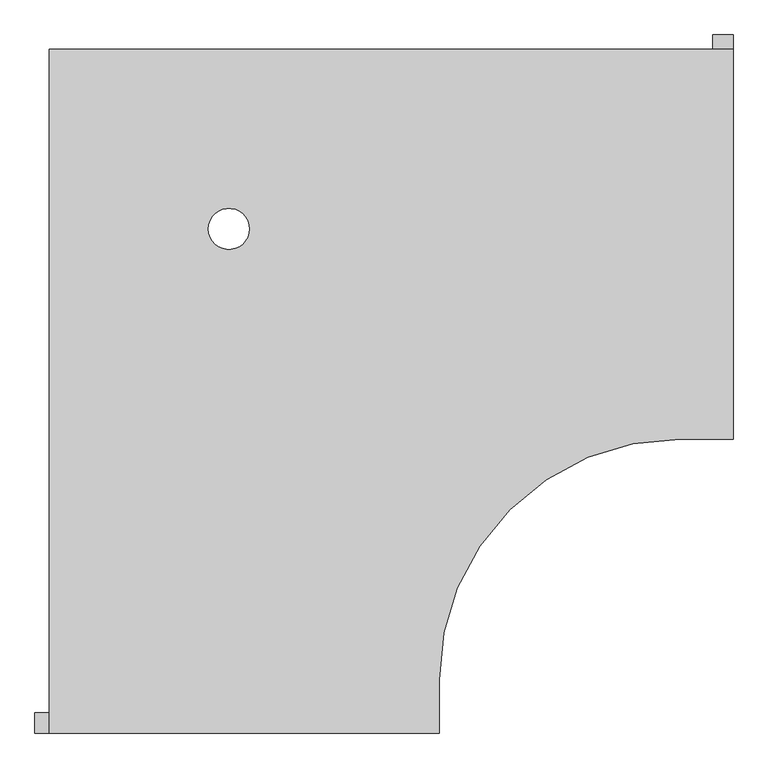
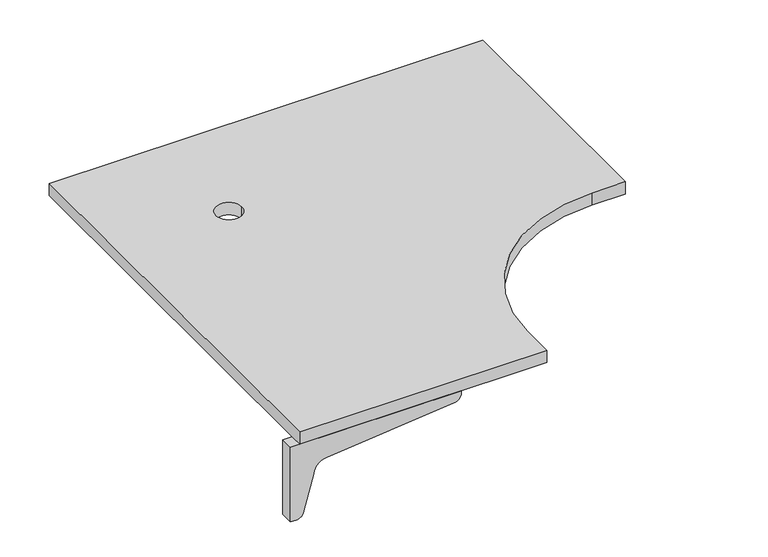
"""IFC4 building model written with IfcOpenShell, lengths in millimetres: furniture geometry."""

from ifc_helpers import new_model, si_unit, point, frame, frame_2d, origin, place, context, project, spatial, polyline, circle_curve, trimmed, segment, composite_curve, outline, extrude, source, transform, mapped, element, save


def furniture_879bf099(model_context):
    return source(origin(), model_context, "Body", "SweptSolid", [
        extrude(outline(composite_curve([segment(polyline([(784.225, 704.85), (784.225, 511.175), (771.525, 511.175)]), True, "CONTINUOUS"), segment(trimmed(circle_curve(frame_2d((769.2081081, 528.3371622)), 17.3178462), [point((771.525, 511.175))], [point((752.475, 523.875))], False, "CARTESIAN"), True, "CONTINUOUS"), segment(polyline([(752.475, 523.875), (727.075, 615.95)]), True, "CONTINUOUS"), segment(trimmed(circle_curve(frame_2d((691.7170455, 612.3420455)), 35.5415572), [point((727.075, 615.95))], [point((695.325, 647.7))], True, "CARTESIAN"), True, "CONTINUOUS"), segment(polyline([(695.325, 647.7), (384.175, 679.45)]), True, "CONTINUOUS"), segment(trimmed(circle_curve(frame_2d((384.175, 698.5)), 19.05), [point((384.175, 679.45))], [point((365.125, 698.5))], False, "CARTESIAN"), True, "CONTINUOUS"), segment(polyline([(365.125, 698.5), (365.125, 704.85), (784.225, 704.85)]), True, "CONTINUOUS")], self_intersect=False)), frame((292.1, 0.0, 0.0), z_axis=(1.0, 0.0, 0.0), x_axis=(0.0, 1.0, 0.0)), (0.0, 0.0, 1.0), 31.75),
        extrude(outline(composite_curve([segment(polyline([(704.85, -762.0), (511.175, -762.0), (511.175, -749.3)]), True, "CONTINUOUS"), segment(trimmed(circle_curve(frame_2d((528.3371622, -746.9831081)), 17.3178462), [point((511.175, -749.3))], [point((523.875, -730.25))], False, "CARTESIAN"), True, "CONTINUOUS"), segment(polyline([(523.875, -730.25), (615.95, -704.85)]), True, "CONTINUOUS"), segment(trimmed(circle_curve(frame_2d((612.3420455, -669.4920455)), 35.5415572), [point((615.95, -704.85))], [point((647.7, -673.1))], True, "CARTESIAN"), True, "CONTINUOUS"), segment(polyline([(647.7, -673.1), (679.45, -361.95)]), True, "CONTINUOUS"), segment(trimmed(circle_curve(frame_2d((698.5, -361.95)), 19.05), [point((679.45, -361.95))], [point((698.5, -342.9))], False, "CARTESIAN"), True, "CONTINUOUS"), segment(polyline([(698.5, -342.9), (704.85, -342.9), (704.85, -762.0)]), True, "CONTINUOUS")], self_intersect=False)), frame((0.0, -301.625, 0.0), z_axis=(0.0, 1.0, 0.0), x_axis=(0.0, 0.0, 1.0)), (0.0, 0.0, 1.0), 31.75),
        extrude(outline(composite_curve([segment(polyline([(-739.775, 762.0), (323.85, 762.0), (323.85, 155.575), (241.06886, 155.575)]), True, "CONTINUOUS"), segment(trimmed(circle_curve(frame_2d((241.06886, -218.84386)), 374.41886), [point((241.06886, 155.575))], [point((-133.35, -218.84386))], True, "CARTESIAN"), True, "CONTINUOUS"), segment(polyline([(-133.35, -218.84386), (-133.35, -301.625), (-739.775, -301.625), (-739.775, 762.0)]), True, "CONTINUOUS")], self_intersect=False), holes=[composite_curve([segment(trimmed(circle_curve(frame_2d((-460.375, 482.6)), 31.78048), [point((-428.59452, 482.6))], [point((-492.15548, 482.6))], True, "CARTESIAN"), True, "CONTINUOUS"), segment(trimmed(circle_curve(frame_2d((-460.375, 482.6)), 31.78048), [point((-492.15548, 482.6))], [point((-428.59452, 482.6))], True, "CARTESIAN"), True, "CONTINUOUS")], self_intersect=False)]), frame((0.0, 0.0, 704.85), z_axis=(0.0, 0.0, 1.0), x_axis=(1.0, 0.0, 0.0)), (0.0, 0.0, 1.0), 31.75),
    ])


if __name__ == "__main__":
    model = new_model("IFC4")
    model_context = context("Model", 3, world=origin())
    ifc_project = project(units=[si_unit("LENGTHUNIT", "METRE", prefix="MILLI")], contexts=[model_context])
    site = spatial("IfcSite", under=ifc_project)
    building = spatial("IfcBuilding", under=site)
    placement = place(None, origin())
    furniture_shape = furniture_879bf099(model_context)
    element("IfcFurniture", 1, at=placement, inside=building, context=model_context, shape_type="MappedRepresentation", body=[
        mapped(furniture_shape, transform((0.0, 0.0, 0.0), x_axis=(1.0, 0.0, 0.0), y_axis=(0.0, 1.0, 0.0), z_axis=(0.0, 0.0, 1.0))),
    ])
    save(model, "model.ifc")
